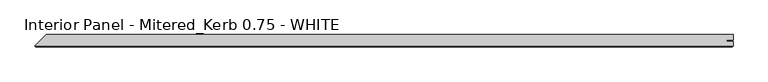
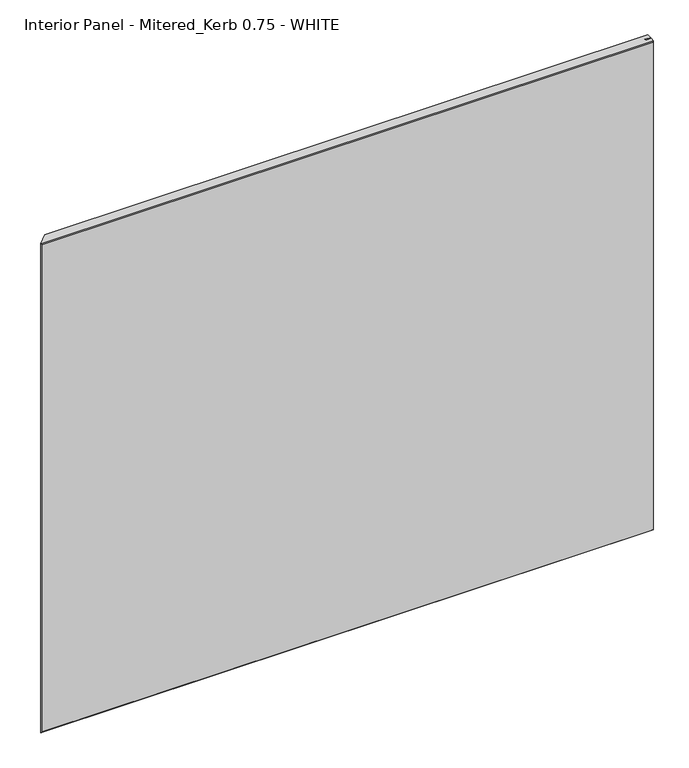
"""IFC4 building model written with IfcOpenShell, lengths in millimetres: proxy geometry, Interior Panel - Mitered_Kerb 0.75 - WHITE."""

import ifcopenshell
import ifcopenshell.guid

model = None  # the IFC model being written
_history = None  # IfcOwnerHistory: only IFC2X3 demands one
_inside = {}  # id of a spatial element -> (the spatial element, [elements in it])
_under = {}  # id of a project, library or spatial element -> (it, [spatial elements below it])
_declared = {}  # id of a project -> (the project, [libraries it declares])
_typed = {}  # id of a type object -> (the type object, [elements of that type])
_made_of = {}  # id of a material, layer set ... -> (it, [elements and type objects made of it])


def new_model(schema):
    """Start an empty IFC model of exactly this schema.

    Asked for "IFC4X3", IfcOpenShell would pick the latest addendum, in which some entities
    have other attributes; the version numbers below select the first issue.
    IFC2X3 requires an IfcOwnerHistory on every rooted entity: one is made here for all.
    """
    global model, _history
    if schema == "IFC4X3":
        model = ifcopenshell.file(schema_version=(4, 3, 0, 0))
    else:
        model = ifcopenshell.file(schema=schema)
    _inside.clear()
    _under.clear()
    _declared.clear()
    _typed.clear()
    _made_of.clear()
    _history = None
    if model.schema == "IFC2X3":
        org = make("IfcOrganization", Name="unknown")
        user = make(
            "IfcPersonAndOrganization",
            ThePerson=make("IfcPerson", FamilyName="unknown"),
            TheOrganization=org,
        )
        app = make(
            "IfcApplication",
            ApplicationDeveloper=org,
            Version="unknown",
            ApplicationFullName="unknown",
            ApplicationIdentifier="unknown",
        )
        _history = make(
            "IfcOwnerHistory",
            OwningUser=user,
            OwningApplication=app,
            ChangeAction="ADDED",
            CreationDate=0,
        )
    return model


def make(cls, **values):
    """One entity of the class cls with the attributes given. An attribute that is None is left unset."""
    return model.create_entity(
        cls, **{name: value for name, value in values.items() if value is not None}
    )


def rooted(cls, **values):
    """An entity with a GlobalId (a new one), such as an element, a storey or a relation."""
    return make(cls, GlobalId=ifcopenshell.guid.new(), OwnerHistory=_history, **values)


def si_unit(unit_type, name, prefix=None):
    """IfcSIUnit, for example si_unit("LENGTHUNIT", "METRE", prefix="MILLI")."""
    return make("IfcSIUnit", UnitType=unit_type, Prefix=prefix, Name=name)


def assignment(units):
    """IfcUnitAssignment: the units of a project."""
    return None if units is None else make("IfcUnitAssignment", Units=units)


def point(xyz):
    """IfcCartesianPoint."""
    return None if xyz is None else make("IfcCartesianPoint", Coordinates=xyz)


def direction(xyz):
    """IfcDirection."""
    return None if xyz is None else make("IfcDirection", DirectionRatios=xyz)


def frame(location, z_axis=None, x_axis=None):
    """IfcAxis2Placement3D, a coordinate frame: its origin and axes. An axis left out is left unset."""
    return make(
        "IfcAxis2Placement3D",
        Location=point(location),
        Axis=direction(z_axis),
        RefDirection=direction(x_axis),
    )


def origin():
    """The frame at (0, 0, 0) with its axes left unset."""
    return frame((0.0, 0.0, 0.0))


def place(relative_to, where):
    """IfcLocalPlacement: puts the frame where relative to a parent placement (None: the world)."""
    return make(
        "IfcLocalPlacement", PlacementRelTo=relative_to, RelativePlacement=where
    )


def context(
    kind, dimensions, precision=None, world=None, true_north=None, identifier=None
):
    """IfcGeometricRepresentationContext, for example the 3D "Model" context."""
    return make(
        "IfcGeometricRepresentationContext",
        ContextIdentifier=identifier,
        ContextType=kind,
        CoordinateSpaceDimension=dimensions,
        Precision=precision,
        WorldCoordinateSystem=world,
        TrueNorth=true_north,
    )


def project(units=None, contexts=None):
    """IfcProject with its units and contexts."""
    return rooted(
        "IfcProject",
        Name="project",
        RepresentationContexts=contexts,
        UnitsInContext=assignment(units),
    )


def spatial(cls, under=None, at=None, **own):
    """A site, building, storey or space (cls), placed at a placement, below another one or the project."""
    s = rooted(cls, ObjectPlacement=at, **own)
    if under is not None:
        _under.setdefault(under.id(), (under, []))[1].append(s)
    return s


def faces_of(points, faces, orient=None, outer=None):
    """IfcFace entities. A face is a list of loops; a loop is a list of indices into points, from 0.

    orient and outer hold one flag for each loop. By default every Orientation is true, the
    first loop of a face is its IfcFaceOuterBound and the others are IfcFaceBound.
    """
    made = []
    for i, loops in enumerate(faces):
        bounds = []
        for j, loop in enumerate(loops):
            is_outer = j == 0 if outer is None else outer[i][j]
            bounds.append(
                make(
                    "IfcFaceOuterBound" if is_outer else "IfcFaceBound",
                    Bound=make("IfcPolyLoop", Polygon=[points[k] for k in loop]),
                    Orientation=True if orient is None else orient[i][j],
                )
            )
        made.append(make("IfcFace", Bounds=bounds))
    return made


def faceted_brep(points, faces, orient=None, outer=None, voids=None):
    """IfcFacetedBrep: a solid bounded by flat faces; with voids (closed shells), ...WithVoids."""
    shared = [point(p) for p in points]
    hull = make("IfcClosedShell", CfsFaces=faces_of(shared, faces, orient, outer))
    if voids is None:
        return make("IfcFacetedBrep", Outer=hull)
    return make(
        "IfcFacetedBrepWithVoids",
        Outer=hull,
        Voids=[
            make(cls, CfsFaces=faces_of(shared, fs, o, b)) for cls, fs, o, b in voids
        ],
    )


def shape(context_of_items, identifier, shape_type, items):
    """IfcShapeRepresentation: the items that make up one representation, for example the "Body"."""
    return make(
        "IfcShapeRepresentation",
        ContextOfItems=context_of_items,
        RepresentationIdentifier=identifier,
        RepresentationType=shape_type,
        Items=items,
    )


def source(mapping_origin, context_of_items, identifier, shape_type, items):
    """IfcRepresentationMap: a shape defined once, which mapped items show again and again."""
    return make(
        "IfcRepresentationMap",
        MappingOrigin=mapping_origin,
        MappedRepresentation=shape(context_of_items, identifier, shape_type, items),
    )


def transform(
    local_origin,
    x_axis=None,
    y_axis=None,
    z_axis=None,
    scale=None,
    scale2=None,
    scale3=None,
    uniform=True,
):
    """IfcCartesianTransformationOperator3D, or its non-uniform kind. x_axis, y_axis, z_axis: its Axis1, 2, 3."""
    if uniform:
        return make(
            "IfcCartesianTransformationOperator3D",
            Axis1=direction(x_axis),
            Axis2=direction(y_axis),
            LocalOrigin=point(local_origin),
            Scale=scale,
            Axis3=direction(z_axis),
        )
    return make(
        "IfcCartesianTransformationOperator3DnonUniform",
        Axis1=direction(x_axis),
        Axis2=direction(y_axis),
        LocalOrigin=point(local_origin),
        Scale=scale,
        Axis3=direction(z_axis),
        Scale2=scale2,
        Scale3=scale3,
    )


def mapped(mapping_source, mapping_target):
    """IfcMappedItem: shows the shape of a source again, moved by a transform."""
    return make(
        "IfcMappedItem", MappingSource=mapping_source, MappingTarget=mapping_target
    )


def made_of(thing, what):
    """Note that an element or type object is made of a material, layer set ...; save() writes the relation."""
    if what is not None:
        _made_of.setdefault(what.id(), (what, []))[1].append(thing)
    return thing


def element(
    cls,
    number,
    at=None,
    inside=None,
    cuts=None,
    type_object=None,
    material=None,
    context=None,
    identifier="Body",
    shape_type=None,
    held_by="IfcProductDefinitionShape",
    body=None,
    shapes=None,
    **own,
):
    """One element of the class cls, such as IfcWall. Its Tag is "e" and its number.

    at: its placement. inside: the storey or other place that contains it. cuts: it is an
    opening in that element (IfcRelVoidsElement). A single representation is given by context,
    identifier, shape_type and body (its items); several are given by shapes. held_by: the class
    of the entity that holds the representations. save() writes the other relations.
    """
    e = rooted(cls, Tag="e%d" % number, ObjectPlacement=at, **own)
    if body is not None:
        shapes = [shape(context, identifier, shape_type, body)]
    if shapes is not None:
        e.Representation = make(held_by, Representations=shapes)
    if inside is not None:
        _inside.setdefault(inside.id(), (inside, []))[1].append(e)
    if cuts is not None:
        rooted(
            "IfcRelVoidsElement", RelatingBuildingElement=cuts, RelatedOpeningElement=e
        )
    if type_object is not None:
        _typed.setdefault(type_object.id(), (type_object, []))[1].append(e)
    return made_of(e, material)


def aggregate(whole, parts):
    """IfcRelAggregates: a whole, such as a stair, and the parts it consists of."""
    return rooted("IfcRelAggregates", RelatingObject=whole, RelatedObjects=parts)


def save(model, path):
    """Write the relations noted so far, then the file.

    IfcRelAggregates (storeys below a building ...), IfcRelContainedInSpatialStructure (elements
    in a storey), IfcRelDefinesByType, IfcRelAssociatesMaterial and IfcRelDeclares: one each for
    every whole, place, type object, material and project.
    """
    for whole, parts in _under.values():
        aggregate(whole, parts)
    for where, things in _inside.values():
        rooted(
            "IfcRelContainedInSpatialStructure",
            RelatedElements=things,
            RelatingStructure=where,
        )
    for kind, things in _typed.values():
        rooted("IfcRelDefinesByType", RelatedObjects=things, RelatingType=kind)
    for what, things in _made_of.values():
        rooted("IfcRelAssociatesMaterial", RelatedObjects=things, RelatingMaterial=what)
    for by, libraries in _declared.values():
        rooted("IfcRelDeclares", RelatingContext=by, RelatedDefinitions=libraries)
    model.write(path)


def interior_panel_mitered_kerb_0_75_white_f017f40e(model_context):
    return source(origin(), model_context, "Body", "Brep", [
        faceted_brep([(1010.840625, 3.175, 914.4), (-55.5625, 3.175, 914.4), (-73.025, -14.2875, 914.4), (1010.840625, -14.2875, 914.4), (1010.840625, -7.4168, 914.4), (1001.0179687, -7.4168, 914.4), (1001.0179687, -5.2832, 914.4), (1010.840625, -5.2832, 914.4), (1010.840625, 3.175, 0.0), (1010.840625, -5.2832, 0.0), (1001.0179687, -5.2832, 0.0), (1001.0179687, -7.4168, 0.0), (1010.840625, -7.4168, 0.0), (1010.840625, -14.2875, 0.0), (-73.025, -14.2875, 0.0), (-55.5625, 3.175, 0.0), (-71.4375, -15.875, 912.8125), (-71.4375, -15.875, 1.5875), (1009.253125, -15.875, 1.5875), (1009.253125, -15.875, 912.8125)], [[[0, 1, 2, 3, 4, 5, 6, 7]], [[8, 9, 10, 11, 12, 13, 14, 15]], [[1, 0, 8, 15]], [[16, 17, 18, 19]], [[4, 3, 13, 12]], [[13, 3, 19, 18]], [[3, 2, 16, 19]], [[14, 13, 18, 17]], [[5, 4, 12, 11]], [[6, 5, 11, 10]], [[7, 6, 10, 9]], [[0, 7, 9, 8]], [[2, 14, 17, 16]], [[2, 1, 15, 14]]]),
    ])


if __name__ == "__main__":
    model = new_model("IFC4")
    model_context = context("Model", 3, world=origin())
    ifc_project = project(units=[si_unit("LENGTHUNIT", "METRE", prefix="MILLI")], contexts=[model_context])
    site = spatial("IfcSite", under=ifc_project)
    building = spatial("IfcBuilding", under=site)
    placement = place(None, origin())
    interior_panel_mitered_kerb_0_75_white_shape = interior_panel_mitered_kerb_0_75_white_f017f40e(model_context)
    element("IfcBuildingElementProxy", 1, Name="Interior Panel - Mitered_Kerb 0.75 - WHITE", ObjectType="Interior Panel - Mitered_Kerb 0.75 - WHITE", at=placement, inside=building, context=model_context, shape_type="MappedRepresentation", body=[
        mapped(interior_panel_mitered_kerb_0_75_white_shape, transform((0.0, 0.0, 0.0), x_axis=(1.0, 0.0, 0.0), y_axis=(0.0, 1.0, 0.0), z_axis=(0.0, 0.0, 1.0))),
    ])
    save(model, "model.ifc")
